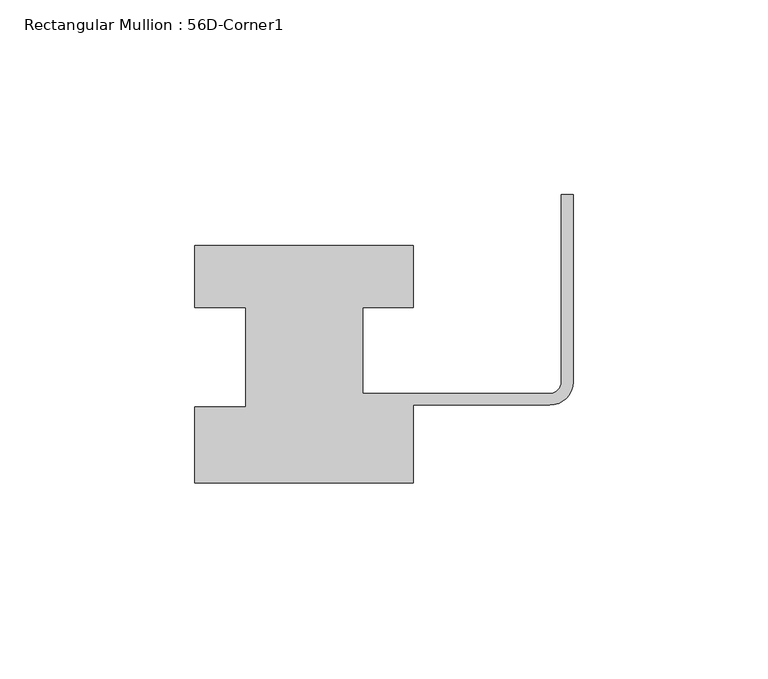
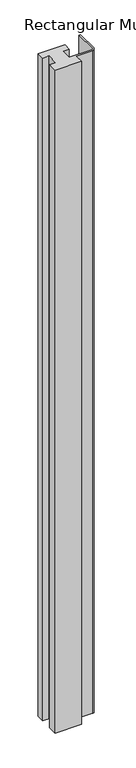
"""IFC4 building model written with IfcOpenShell, lengths in millimetres: member geometry, Rectangular Mullion : 56D-Corner1."""

from ifc_helpers import new_model, si_unit, point, frame, frame_2d, origin, place, context, project, spatial, polyline, circle_curve, trimmed, segment, composite_curve, outline, extrude, source, transform, mapped, element, save


def rectangular_mullion_56d_corner1_ec3eb66b(model_context):
    return source(origin(), model_context, "Body", "SweptSolid", [
        extrude(outline(composite_curve([segment(polyline([(-97.0, -20.0), (-97.0, -0.5), (-84.0, -0.5), (-84.0, 25.0), (-97.0, 25.0), (-97.0, 41.0), (-41.0, 41.0), (-41.0, 25.0), (-54.0, 25.0), (-54.0, 3.0), (-6.0, 3.0)]), True, "CONTINUOUS"), segment(trimmed(circle_curve(frame_2d((-6.0, 6.0)), 3.0), [point((-6.0, 3.0))], [point((-3.0, 6.0))], True, "CARTESIAN"), True, "CONTINUOUS"), segment(polyline([(-3.0, 6.0), (-3.0, 54.0), (0.0, 54.0), (0.0, 6.0)]), True, "CONTINUOUS"), segment(trimmed(circle_curve(frame_2d((-6.0, 6.0)), 6.0), [point((0.0, 6.0))], [point((-6.0, 0.0))], False, "CARTESIAN"), True, "CONTINUOUS"), segment(polyline([(-6.0, 0.0), (-41.0, 0.0), (-41.0, -20.0), (-97.0, -20.0)]), True, "CONTINUOUS")], self_intersect=False)), frame((0.0, 0.0, -1477.534293), z_axis=(0.0, 0.0, 1.0), x_axis=(1.0, 0.0, 0.0)), (0.0, 0.0, 1.0), 1477.534293),
    ])


if __name__ == "__main__":
    model = new_model("IFC4")
    model_context = context("Model", 3, world=origin())
    ifc_project = project(units=[si_unit("LENGTHUNIT", "METRE", prefix="MILLI")], contexts=[model_context])
    site = spatial("IfcSite", under=ifc_project)
    building = spatial("IfcBuilding", under=site)
    placement = place(None, origin())
    rectangular_mullion_56d_corner1_shape = rectangular_mullion_56d_corner1_ec3eb66b(model_context)
    element("IfcMember", 1, ObjectType="Rectangular Mullion : 56D-Corner1", at=placement, inside=building, context=model_context, shape_type="MappedRepresentation", body=[
        mapped(rectangular_mullion_56d_corner1_shape, transform((0.0, 0.0, 0.0), x_axis=(1.0, 0.0, 0.0), y_axis=(0.0, 1.0, 0.0), z_axis=(0.0, 0.0, 1.0))),
    ])
    save(model, "model.ifc")
